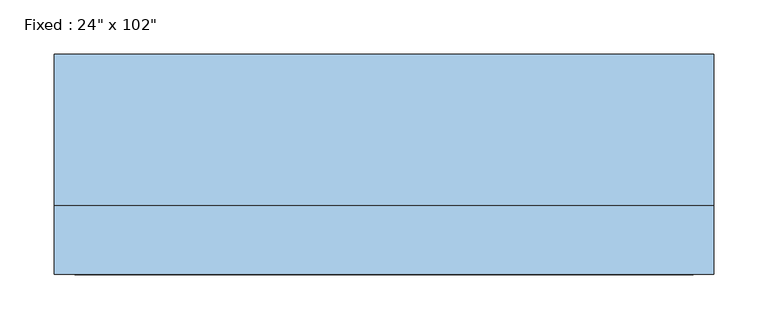
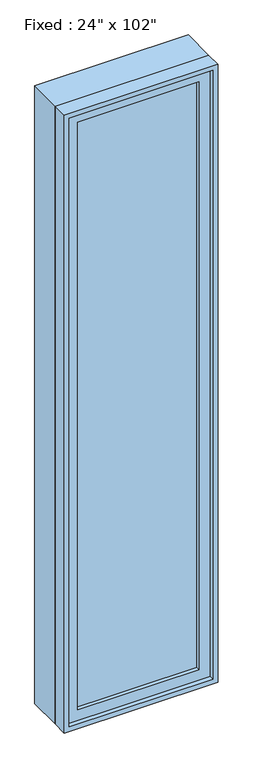
"""IFC4 building model written with IfcOpenShell, lengths in millimetres: window geometry."""

from ifc_helpers import new_model, si_unit, frame, origin, place, context, project, spatial, polyline, outline, extrude, source, transform, mapped, element, save


def window_a77fc3d2(model_context):
    return source(origin(), model_context, "Body", "SweptSolid", [
        extrude(outline(polyline([(203.2, -53.975), (203.2, -66.675), (-279.4, -66.675), (-279.4, -53.975), (203.2, -53.975)])), frame((0.0, 0.0, 368.3), z_axis=(0.0, 0.0, 1.0), x_axis=(1.0, 0.0, 0.0)), (0.0, 0.0, 1.0), 2463.8),
        extrude(outline(polyline([(2876.55, -323.85), (323.85, -323.85), (323.85, 247.65), (2876.55, 247.65), (2876.55, -323.85)]), holes=[polyline([(2832.1, -279.4), (2832.1, 203.2), (368.3, 203.2), (368.3, -279.4), (2832.1, -279.4)])]), frame((0.0, -82.55, 0.0), z_axis=(0.0, 1.0, 0.0), x_axis=(0.0, 0.0, 1.0)), (0.0, 0.0, 1.0), 44.45),
        extrude(outline(polyline([(2895.6, -342.9), (304.8, -342.9), (304.8, 266.7), (2895.6, 266.7), (2895.6, -342.9)]), holes=[polyline([(2863.85, -311.15), (2863.85, 234.95), (336.55, 234.95), (336.55, -311.15), (2863.85, -311.15)])]), frame((0.0, -38.1, 0.0), z_axis=(0.0, 1.0, 0.0), x_axis=(0.0, 0.0, 1.0)), (0.0, 0.0, 1.0), 139.7),
        extrude(outline(polyline([(2895.6, 266.7), (2895.6, -342.9), (304.8, -342.9), (304.8, 266.7), (2895.6, 266.7)]), holes=[polyline([(2876.55, 247.65), (323.85, 247.65), (323.85, -323.85), (2876.55, -323.85), (2876.55, 247.65)])]), frame((0.0, -101.6, 0.0), z_axis=(0.0, 1.0, 0.0), x_axis=(0.0, 0.0, 1.0)), (0.0, 0.0, 1.0), 63.5),
    ])


if __name__ == "__main__":
    model = new_model("IFC4")
    model_context = context("Model", 3, world=origin())
    ifc_project = project(units=[si_unit("LENGTHUNIT", "METRE", prefix="MILLI")], contexts=[model_context])
    site = spatial("IfcSite", under=ifc_project)
    building = spatial("IfcBuilding", under=site)
    placement = place(None, origin())
    window_shape = window_a77fc3d2(model_context)
    element("IfcWindow", 1, ObjectType="Fixed : 24\" x 102\"", at=placement, inside=building, context=model_context, shape_type="MappedRepresentation", body=[
        mapped(window_shape, transform((0.0, 0.0, 0.0), x_axis=(1.0, 0.0, 0.0), y_axis=(0.0, 1.0, 0.0), z_axis=(0.0, 0.0, 1.0))),
    ])
    save(model, "model.ifc")
